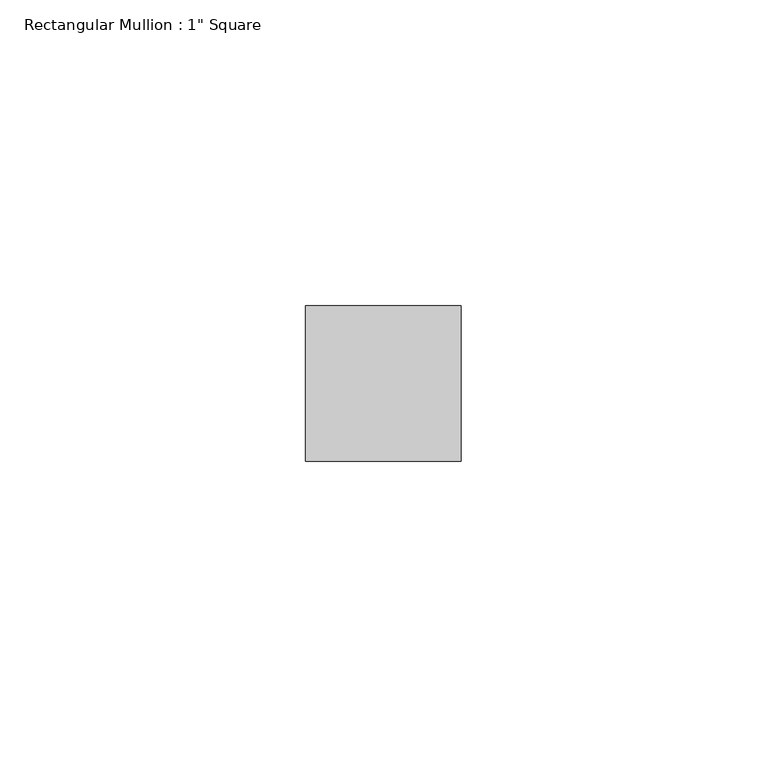
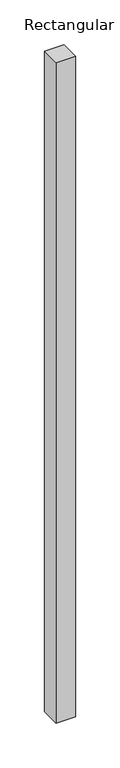
"""IFC4 building model written with IfcOpenShell, lengths in millimetres: member geometry."""

from ifc_helpers import new_model, si_unit, frame, origin, place, context, project, spatial, polyline, outline, extrude, source, transform, mapped, element, save


def member_b9632e2d(model_context):
    return source(origin(), model_context, "Body", "SweptSolid", [
        extrude(outline(polyline([(12.7, 12.7), (12.7, -12.7), (-12.7, -12.7), (-12.7, 12.7), (12.7, 12.7)])), frame((0.0, 0.0, -901.7), z_axis=(0.0, 0.0, 1.0), x_axis=(1.0, 0.0, 0.0)), (0.0, 0.0, 1.0), 901.7),
    ])


if __name__ == "__main__":
    model = new_model("IFC4")
    model_context = context("Model", 3, world=origin())
    ifc_project = project(units=[si_unit("LENGTHUNIT", "METRE", prefix="MILLI")], contexts=[model_context])
    site = spatial("IfcSite", under=ifc_project)
    building = spatial("IfcBuilding", under=site)
    placement = place(None, origin())
    member_shape = member_b9632e2d(model_context)
    element("IfcMember", 1, ObjectType="Rectangular Mullion : 1\" Square", at=placement, inside=building, context=model_context, shape_type="MappedRepresentation", body=[
        mapped(member_shape, transform((0.0, 0.0, 0.0), x_axis=(1.0, 0.0, 0.0), y_axis=(0.0, 1.0, 0.0), z_axis=(0.0, 0.0, 1.0))),
    ])
    save(model, "model.ifc")
